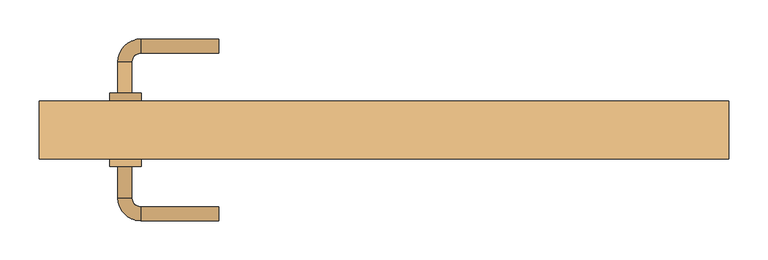
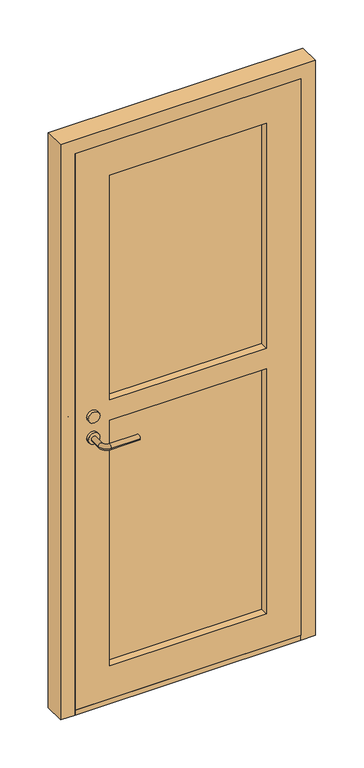
"""IFC4 building model written with IfcOpenShell, lengths in millimetres: door geometry."""

from ifc_helpers import new_model, si_unit, point, frame, frame_2d, origin, origin_with_axes, place, context, project, spatial, polyline, circle_curve, ellipse_curve, trimmed, segment, composite_curve, outline, extrude, source, transform, mapped, element, save
from ifc_brep_helpers import plane_surface, cylinder_surface, revolved_surface, advanced_brep


def door_c371bb6d(model_context):
    return source(origin(), model_context, "Body", "SolidModel", [
        extrude(outline(composite_curve([segment(trimmed(circle_curve(frame_2d((1069.9136899, -329.67685)), 20.0), [point((1069.9136899, -349.67685))], [point((1069.9136899, -309.67685))], False, "CARTESIAN"), True, "CONTINUOUS"), segment(trimmed(circle_curve(frame_2d((1069.9136899, -329.67685)), 20.0), [point((1069.9136899, -309.67685))], [point((1069.9136899, -349.67685))], False, "CARTESIAN"), True, "CONTINUOUS")], self_intersect=False)), frame((0.0, 28.5291111, 0.0), z_axis=(0.0, 1.0, 0.0), x_axis=(0.0, 0.0, 1.0)), (0.0, 0.0, 1.0), 9.8708889),
        extrude(outline(composite_curve([segment(trimmed(circle_curve(frame_2d((992.4136899, -329.67685)), 20.0), [point((992.4136899, -349.67685))], [point((992.4136899, -309.67685))], False, "CARTESIAN"), True, "CONTINUOUS"), segment(trimmed(circle_curve(frame_2d((992.4136899, -329.67685)), 20.0), [point((992.4136899, -309.67685))], [point((992.4136899, -349.67685))], False, "CARTESIAN"), True, "CONTINUOUS")], self_intersect=False)), frame((0.0, 28.5291111, 0.0), z_axis=(0.0, 1.0, 0.0), x_axis=(0.0, 0.0, 1.0)), (0.0, 0.0, 1.0), 9.8708889),
        advanced_brep(
        [(-339.625, 38.4, 992.5), (-321.625, 38.4, 992.5), (-339.625, -11.6, 992.5), (-321.625, -11.6, 992.5), (-310.625, -22.6, 992.5), (-310.625, -40.6, 992.5), (-210.625, -40.6, 992.5), (-210.625, -22.6, 992.5)],
        [
            (0, 1, circle_curve(frame((-330.625, 38.4, 992.5), z_axis=(0.0, 1.0, 0.0), x_axis=(1.0, 0.0, 0.0)), 9.0)),
            (1, 0, circle_curve(frame((-330.625, 38.4, 992.5), z_axis=(0.0, 1.0, 0.0), x_axis=(1.0, 0.0, 0.0)), 9.0)),
            (0, 2),
            (2, 3, circle_curve(frame((-330.625, -11.6, 992.5), z_axis=(0.0, 1.0, 0.0), x_axis=(1.0, 0.0, 0.0)), 9.0)),
            (3, 1),
            (3, 2, circle_curve(frame((-330.625, -11.6, 992.5), z_axis=(0.0, 1.0, 0.0), x_axis=(1.0, 0.0, 0.0)), 9.0)),
            (4, 3, circle_curve(frame((-310.625, -11.6, 992.5), z_axis=(0.0, 0.0, -1.0), x_axis=(-1.0, 0.0, 0.0)), 11.0)),
            (2, 5, circle_curve(frame((-310.625, -11.6, 992.5), z_axis=(0.0, 0.0, 1.0), x_axis=(-1.0, 0.0, 0.0)), 29.0)),
            (5, 4, circle_curve(frame((-310.625, -31.6, 992.5), z_axis=(-1.0, 0.0, 0.0), x_axis=(0.0, 1.0, 0.0)), 9.0)),
            (4, 5, circle_curve(frame((-310.625, -31.6, 992.5), z_axis=(-1.0, 0.0, 0.0), x_axis=(0.0, 1.0, 0.0)), 9.0)),
            (6, 7, circle_curve(frame((-210.625, -31.6, 992.5), z_axis=(1.0, 0.0, 0.0), x_axis=(0.0, 1.0, 0.0)), 9.0)),
            (7, 6, circle_curve(frame((-210.625, -31.6, 992.5), z_axis=(1.0, 0.0, 0.0), x_axis=(0.0, 1.0, 0.0)), 9.0)),
            (5, 6),
            (7, 4),
        ],
        [
            plane_surface(frame((-330.625, 38.4, 857.5), z_axis=(0.0, 1.0, 0.0), x_axis=(0.0, 0.0, -1.0))),
            cylinder_surface(frame((-330.625, 38.4, 992.5), z_axis=(0.0, 1.0, 0.0), x_axis=(1.0, 0.0, 0.0)), 9.0),
            revolved_surface(trimmed(ellipse_curve(frame((-330.625, -11.6, 992.5), z_axis=(0.0, 1.0, 0.0), x_axis=(1.0, 0.0, 0.0)), 9.0, 9.0), [point((-339.625, -11.6, 992.5))], [point((-321.625, -11.6, 992.5))], True, "CARTESIAN"), (-310.625, -11.6, 857.5), (0.0, 0.0, 1.0)),
            revolved_surface(trimmed(ellipse_curve(frame((-330.625, -11.6, 992.5), z_axis=(0.0, 1.0, 0.0), x_axis=(1.0, 0.0, 0.0)), 9.0, 9.0), [point((-321.625, -11.6, 992.5))], [point((-339.625, -11.6, 992.5))], True, "CARTESIAN"), (-310.625, -11.6, 857.5), (0.0, 0.0, 1.0)),
            plane_surface(frame((-210.625, -31.6, 857.5), z_axis=(1.0, 0.0, 0.0), x_axis=(0.0, 0.0, -1.0))),
            cylinder_surface(frame((-310.625, -31.6, 992.5), z_axis=(-1.0, 0.0, 0.0), x_axis=(0.0, 1.0, 0.0)), 9.0),
        ],
        [
            (0, [[1, 2]]),
            (1, [[-1, 3, 4, 5]]),
            (1, [[-2, -5, 6, -3]]),
            (2, [[7, -4, 8, 9]]),
            (3, [[-8, -6, -7, 10]]),
            (4, [[11, 12]]),
            (5, [[-9, 13, -12, 14]]),
            (5, [[-10, -14, -11, -13]]),
        ],
    ),
        extrude(outline(composite_curve([segment(trimmed(circle_curve(frame_2d((1069.9136899, -329.67685)), 20.0), [point((1069.9136899, -349.67685))], [point((1069.9136899, -309.67685))], False, "CARTESIAN"), True, "CONTINUOUS"), segment(trimmed(circle_curve(frame_2d((1069.9136899, -329.67685)), 20.0), [point((1069.9136899, -309.67685))], [point((1069.9136899, -349.67685))], False, "CARTESIAN"), True, "CONTINUOUS")], self_intersect=False)), frame((0.0, 112.4, 0.0), z_axis=(0.0, 1.0, 0.0), x_axis=(0.0, 0.0, 1.0)), (0.0, 0.0, 1.0), 9.8708889),
        extrude(outline(composite_curve([segment(trimmed(circle_curve(frame_2d((992.4136899, -329.67685)), 20.0), [point((992.4136899, -349.67685))], [point((992.4136899, -309.67685))], False, "CARTESIAN"), True, "CONTINUOUS"), segment(trimmed(circle_curve(frame_2d((992.4136899, -329.67685)), 20.0), [point((992.4136899, -309.67685))], [point((992.4136899, -349.67685))], False, "CARTESIAN"), True, "CONTINUOUS")], self_intersect=False)), frame((0.0, 112.4, 0.0), z_axis=(0.0, 1.0, 0.0), x_axis=(0.0, 0.0, 1.0)), (0.0, 0.0, 1.0), 9.8708889),
        advanced_brep(
        [(-339.625, 112.4, 992.5), (-321.625, 112.4, 992.5), (-321.625, 162.4, 992.5), (-339.625, 162.4, 992.5), (-310.625, 173.4, 992.5), (-310.625, 191.4, 992.5), (-210.625, 191.4, 992.5), (-210.625, 173.4, 992.5)],
        [
            (0, 1, circle_curve(frame((-330.625, 112.4, 992.5), z_axis=(0.0, -1.0, 0.0), x_axis=(1.0, 0.0, 0.0)), 9.0)),
            (1, 0, circle_curve(frame((-330.625, 112.4, 992.5), z_axis=(0.0, -1.0, 0.0), x_axis=(1.0, 0.0, 0.0)), 9.0)),
            (1, 2),
            (2, 3, circle_curve(frame((-330.625, 162.4, 992.5), z_axis=(0.0, -1.0, 0.0), x_axis=(1.0, 0.0, 0.0)), 9.0)),
            (3, 0),
            (3, 2, circle_curve(frame((-330.625, 162.4, 992.5), z_axis=(0.0, -1.0, 0.0), x_axis=(1.0, 0.0, 0.0)), 9.0)),
            (4, 5, circle_curve(frame((-310.625, 182.4, 992.5), z_axis=(-1.0, 0.0, 0.0), x_axis=(0.0, -1.0, 0.0)), 9.0)),
            (5, 3, circle_curve(frame((-310.625, 162.4, 992.5), z_axis=(0.0, 0.0, 1.0), x_axis=(-1.0, 0.0, 0.0)), 29.0)),
            (2, 4, circle_curve(frame((-310.625, 162.4, 992.5), z_axis=(0.0, 0.0, -1.0), x_axis=(-1.0, 0.0, 0.0)), 11.0)),
            (5, 4, circle_curve(frame((-310.625, 182.4, 992.5), z_axis=(-1.0, 0.0, 0.0), x_axis=(0.0, -1.0, 0.0)), 9.0)),
            (6, 7, circle_curve(frame((-210.625, 182.4, 992.5), z_axis=(1.0, 0.0, 0.0), x_axis=(0.0, -1.0, 0.0)), 9.0)),
            (7, 6, circle_curve(frame((-210.625, 182.4, 992.5), z_axis=(1.0, 0.0, 0.0), x_axis=(0.0, -1.0, 0.0)), 9.0)),
            (4, 7),
            (6, 5),
        ],
        [
            plane_surface(frame((-330.625, 112.4, 857.5), z_axis=(0.0, -1.0, 0.0), x_axis=(0.0, 0.0, -1.0))),
            cylinder_surface(frame((-330.625, 112.4, 992.5), z_axis=(0.0, -1.0, 0.0), x_axis=(1.0, 0.0, 0.0)), 9.0),
            revolved_surface(trimmed(ellipse_curve(frame((-330.625, 162.4, 992.5), z_axis=(0.0, 1.0, 0.0), x_axis=(1.0, 0.0, 0.0)), 9.0, 9.0), [point((-339.625, 162.4, 992.5))], [point((-321.625, 162.4, 992.5))], True, "CARTESIAN"), (-310.625, 162.4, 857.5), (0.0, 0.0, 1.0)),
            revolved_surface(trimmed(ellipse_curve(frame((-330.625, 162.4, 992.5), z_axis=(0.0, 1.0, 0.0), x_axis=(1.0, 0.0, 0.0)), 9.0, 9.0), [point((-321.625, 162.4, 992.5))], [point((-339.625, 162.4, 992.5))], True, "CARTESIAN"), (-310.625, 162.4, 857.5), (0.0, 0.0, 1.0)),
            plane_surface(frame((-210.625, 182.4, 857.5), z_axis=(1.0, 0.0, 0.0), x_axis=(0.0, 0.0, -1.0))),
            cylinder_surface(frame((-310.625, 182.4, 992.5), z_axis=(-1.0, 0.0, 0.0), x_axis=(0.0, -1.0, 0.0)), 9.0),
        ],
        [
            (0, [[1, 2]]),
            (1, [[3, 4, 5, -2]]),
            (1, [[-5, 6, -3, -1]]),
            (2, [[7, 8, -4, 9]]),
            (3, [[10, -9, -6, -8]]),
            (4, [[11, 12]]),
            (5, [[13, -11, 14, -7]]),
            (5, [[-14, -12, -13, -10]]),
        ],
    ),
        extrude(outline(polyline([(2045.0, -390.0), (18.0, -390.0), (18.0, 390.0), (2045.0, 390.0), (2045.0, -390.0)]), holes=[polyline([(1925.0, 270.0), (1106.5, 270.0), (1106.5, -270.0), (1925.0, -270.0), (1925.0, 270.0)]), polyline([(1031.5, -270.0), (1031.5, 270.0), (138.0, 270.0), (138.0, -270.0), (1031.5, -270.0)])]), frame((0.0, 38.4, 0.0), z_axis=(0.0, 1.0, 0.0), x_axis=(0.0, 0.0, 1.0)), (0.0, 0.0, 1.0), 74.0),
        extrude(outline(polyline([(270.0, 85.4), (270.0, 65.4), (-270.0, 65.4), (-270.0, 85.4), (270.0, 85.4)])), frame((0.0, 0.0, 138.0), z_axis=(0.0, 0.0, 1.0), x_axis=(1.0, 0.0, 0.0)), (0.0, 0.0, 1.0), 1787.0),
        extrude(outline(polyline([(2095.0, 440.0), (2095.0, -440.0), (0.0, -440.0), (0.0, -390.0), (2045.0, -390.0), (2045.0, 390.0), (0.0, 390.0), (0.0, 440.0), (2095.0, 440.0)])), frame((0.0, 38.4, 0.0), z_axis=(0.0, 1.0, 0.0), x_axis=(0.0, 0.0, 1.0)), (0.0, 0.0, 1.0), 74.0),
        extrude(outline(polyline([(-390.0, 112.4), (390.0, 112.4), (390.0, 38.4), (-390.0, 38.4), (-390.0, 112.4)])), origin_with_axes(), (0.0, 0.0, 1.0), 18.0),
    ])


if __name__ == "__main__":
    model = new_model("IFC4")
    model_context = context("Model", 3, world=origin())
    ifc_project = project(units=[si_unit("LENGTHUNIT", "METRE", prefix="MILLI")], contexts=[model_context])
    site = spatial("IfcSite", under=ifc_project)
    building = spatial("IfcBuilding", under=site)
    placement = place(None, origin())
    door_shape = door_c371bb6d(model_context)
    element("IfcDoor", 1, at=placement, inside=building, context=model_context, shape_type="MappedRepresentation", body=[
        mapped(door_shape, transform((0.0, 0.0, 0.0), x_axis=(1.0, 0.0, 0.0), y_axis=(0.0, 1.0, 0.0), z_axis=(0.0, 0.0, 1.0))),
    ])
    save(model, "model.ifc")
